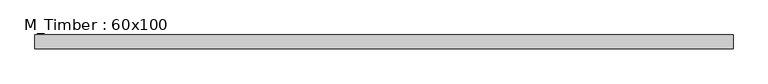
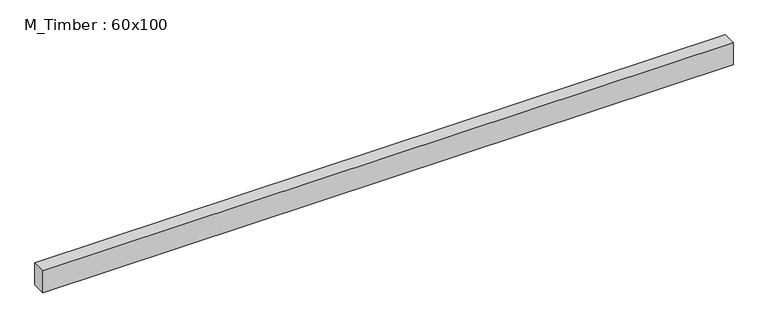
"""IFC4 building model written with IfcOpenShell, lengths in millimetres: beam geometry, M_Timber : 60x100."""

from ifc_helpers import new_model, si_unit, frame, origin, place, context, project, spatial, polyline, outline, extrude, source, transform, mapped, element, save


def m_timber_60x100_eac82d2a(model_context):
    return source(origin(), model_context, "Body", "SweptSolid", [
        extrude(outline(polyline([(1513.1098169, 30.0), (1513.1098169, -30.0), (-1494.099008, -30.0), (-1494.099008, 30.0), (1513.1098169, 30.0)])), frame((0.0, 0.0, -50.0), z_axis=(0.0, 0.0, 1.0), x_axis=(1.0, 0.0, 0.0)), (0.0, 0.0, 1.0), 100.0),
    ])


if __name__ == "__main__":
    model = new_model("IFC4")
    model_context = context("Model", 3, world=origin())
    ifc_project = project(units=[si_unit("LENGTHUNIT", "METRE", prefix="MILLI")], contexts=[model_context])
    site = spatial("IfcSite", under=ifc_project)
    building = spatial("IfcBuilding", under=site)
    placement = place(None, origin())
    m_timber_60x100_shape = m_timber_60x100_eac82d2a(model_context)
    element("IfcBeam", 1, ObjectType="M_Timber : 60x100", at=placement, inside=building, context=model_context, shape_type="MappedRepresentation", body=[
        mapped(m_timber_60x100_shape, transform((0.0, 0.0, 0.0), x_axis=(1.0, 0.0, 0.0), y_axis=(0.0, 1.0, 0.0), z_axis=(0.0, 0.0, 1.0))),
    ])
    save(model, "model.ifc")
